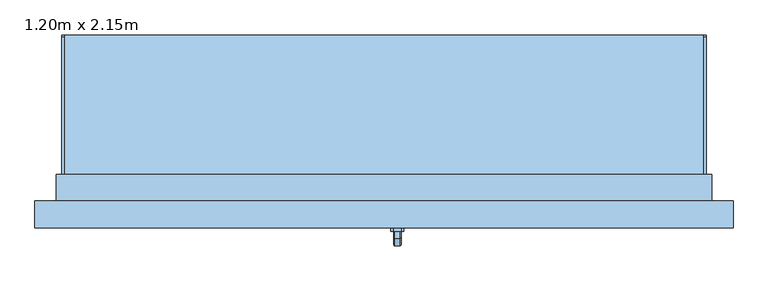
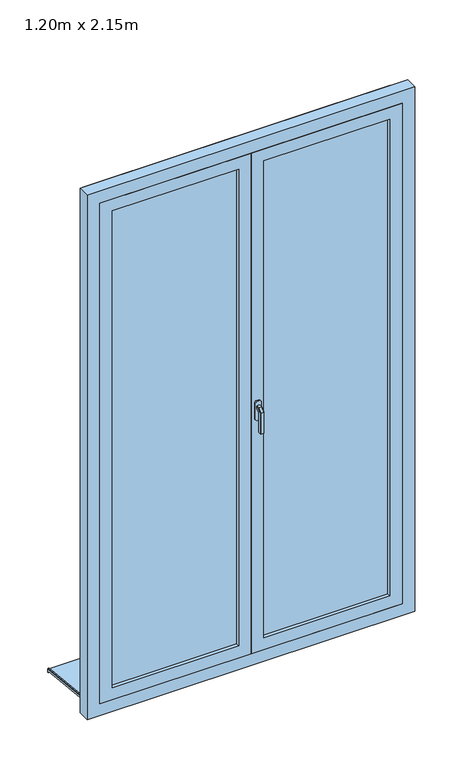
"""IFC4 building model written with IfcOpenShell, lengths in millimetres: window geometry, 1.20m x 2.15m."""

from ifc_helpers import new_model, si_unit, point, frame, frame_2d, origin, place, context, project, spatial, polyline, circle_curve, trimmed, segment, composite_curve, outline, extrude, faceted_brep, source, transform, mapped, element, save


def window_1_20m_x_2_15m_e7e9b8c7(model_context):
    return source(origin(), model_context, "Body", "SolidModel", [
        faceted_brep([(30.6460097, -181.0, 1122.0339292), (32.0339292, -181.0, 1120.6460097), (32.0339292, -181.0, 1109.3323012), (30.6676988, -181.0, 1107.9660708), (19.3323012, -181.0, 1107.9660708), (17.9660708, -181.0, 1109.3323012), (17.9660708, -181.0, 1120.6460097), (19.3539903, -181.0, 1122.0339292), (30.6460097, -193.9135489, 1122.0339292), (32.0339292, -193.3386538, 1120.6460097), (32.0339292, -206.6460097, 1107.3386538), (32.0339292, -206.6460097, 1020.0), (32.0339292, -195.3323012, 1020.0), (32.0339292, -195.3323012, 1102.6523623), (32.0339292, -188.6523623, 1109.3323012), (30.6676988, -188.0864511, 1107.9660708), (19.3323012, -188.0864511, 1107.9660708), (17.9660708, -188.6523623, 1109.3323012), (17.9660708, -195.3323012, 1102.6523623), (17.9660708, -195.3323012, 1020.0), (17.9660708, -206.6460097, 1020.0), (17.9660708, -206.6460097, 1107.3386538), (17.9660708, -193.3386538, 1120.6460097), (19.3539903, -193.9135489, 1122.0339292), (30.6460097, -208.0339292, 1107.9135489), (30.6676988, -193.9660708, 1102.0864511), (19.3323012, -193.9660708, 1102.0864511), (19.3539903, -208.0339292, 1107.9135489), (30.6460097, -208.0339292, 1020.0), (19.3539903, -208.0339292, 1020.0), (19.3323012, -193.9660708, 1020.0), (30.6676988, -193.9660708, 1020.0)], [[[0, 1, 2, 3, 4, 5, 6, 7]], [[1, 0, 8, 9]], [[2, 1, 9, 10, 11, 12, 13, 14]], [[3, 2, 14, 15]], [[4, 3, 15, 16]], [[5, 4, 16, 17]], [[6, 5, 17, 18, 19, 20, 21, 22]], [[7, 6, 22, 23]], [[0, 7, 23, 8]], [[9, 8, 24, 10]], [[15, 14, 13, 25]], [[16, 15, 25, 26]], [[17, 16, 26, 18]], [[23, 22, 21, 27]], [[8, 23, 27, 24]], [[28, 29, 20, 19, 30, 31, 12, 11]], [[10, 24, 28, 11]], [[25, 13, 12, 31]], [[26, 25, 31, 30]], [[18, 26, 30, 19]], [[27, 21, 20, 29]], [[24, 27, 29, 28]]]),
        extrude(outline(polyline([(1140.0, 32.0), (1140.0, 18.0), (1135.0, 13.0), (1065.0, 13.0), (1060.0, 18.0), (1060.0, 32.0), (1065.0, 37.0), (1135.0, 37.0), (1140.0, 32.0)])), frame((0.0, -181.0, 0.0), z_axis=(0.0, 1.0, 0.0), x_axis=(0.0, 0.0, 1.0)), (0.0, 0.0, 1.0), 6.0),
        extrude(outline(polyline([(185.0288776, 10.8229907), (185.0288776, -0.2552118), (180.0288776, 0.2703094), (180.0288776, 6.0933001), (-95.0, 35.0), (-95.0, 50.0), (-90.0, 50.0), (-90.0, 39.7296906), (185.0288776, 10.8229907)])), frame((-600.0, 0.0, 0.0), z_axis=(1.0, 0.0, 0.0), x_axis=(0.0, 1.0, 0.0)), (0.0, 0.0, 1.0), 1200.0),
        extrude(outline(composite_curve([segment(polyline([(185.0288776, 10.8229907), (-90.0, 39.7296906), (-90.0, 44.757232), (181.4469915, 16.2270035)]), True, "CONTINUOUS"), segment(trimmed(circle_curve(frame_2d((181.0288776, 12.2489159)), 4.0), [point((181.4469915, 16.2270035))], [point((185.0288776, 12.2489159))], False, "CARTESIAN"), True, "CONTINUOUS"), segment(polyline([(185.0288776, 12.2489159), (185.0288776, 10.8229907)]), True, "CONTINUOUS")], self_intersect=False)), frame((-600.0, 0.0, 0.0), z_axis=(1.0, 0.0, 0.0), x_axis=(0.0, 1.0, 0.0)), (0.0, 0.0, 1.0), 5.0),
        extrude(outline(composite_curve([segment(polyline([(185.0288776, 10.8229907), (-90.0, 39.7296906), (-90.0, 44.757232), (181.4469915, 16.2270035)]), True, "CONTINUOUS"), segment(trimmed(circle_curve(frame_2d((181.0288776, 12.2489159)), 4.0), [point((181.4469915, 16.2270035))], [point((185.0288776, 12.2489159))], False, "CARTESIAN"), True, "CONTINUOUS"), segment(polyline([(185.0288776, 12.2489159), (185.0288776, 10.8229907)]), True, "CONTINUOUS")], self_intersect=False)), frame((595.0, 0.0, 0.0), z_axis=(1.0, 0.0, 0.0), x_axis=(0.0, 1.0, 0.0)), (0.0, 0.0, 1.0), 5.0),
        extrude(outline(polyline([(85.0, 0.0), (2185.0, 0.0), (2185.0, -600.0), (85.0, -600.0), (85.0, 0.0)]), holes=[polyline([(135.0, -550.0), (2135.0, -550.0), (2135.0, -50.0), (135.0, -50.0), (135.0, -550.0)])]), frame((0.0, -175.0, 0.0), z_axis=(0.0, 1.0, 0.0), x_axis=(0.0, 0.0, 1.0)), (0.0, 0.0, 1.0), 40.0),
        extrude(outline(polyline([(50.0, -149.0), (550.0, -149.0), (550.0, -161.0), (50.0, -161.0), (50.0, -149.0)])), frame((0.0, 0.0, 135.0), z_axis=(0.0, 0.0, 1.0), x_axis=(1.0, 0.0, 0.0)), (0.0, 0.0, 1.0), 2000.0),
        extrude(outline(polyline([(-550.0, -149.0), (-50.0, -149.0), (-50.0, -161.0), (-550.0, -161.0), (-550.0, -149.0)])), frame((0.0, 0.0, 135.0), z_axis=(0.0, 0.0, 1.0), x_axis=(1.0, 0.0, 0.0)), (0.0, 0.0, 1.0), 2000.0),
        extrude(outline(polyline([(85.0, 600.0), (2185.0, 600.0), (2185.0, 0.0), (85.0, 0.0), (85.0, 600.0)]), holes=[polyline([(135.0, 50.0), (2135.0, 50.0), (2135.0, 550.0), (135.0, 550.0), (135.0, 50.0)])]), frame((0.0, -175.0, 0.0), z_axis=(0.0, 1.0, 0.0), x_axis=(0.0, 0.0, 1.0)), (0.0, 0.0, 1.0), 40.0),
        faceted_brep([(-650.0, -175.0, 35.0), (-650.0, -125.0, 35.0), (-600.0, -125.0, 35.0), (-600.0, -95.0, 35.0), (600.0, -95.0, 35.0), (600.0, -125.0, 35.0), (650.0, -125.0, 35.0), (650.0, -175.0, 35.0), (-650.0, -175.0, 2235.0), (-650.0, -125.0, 2235.0), (650.0, -125.0, 2235.0), (600.0, -125.0, 74.3761425), (-600.0, -125.0, 74.3761425), (-585.0, -125.0, 2170.0), (-585.0, -125.0, 100.0), (585.0, -125.0, 100.0), (585.0, -125.0, 2170.0), (-600.0, -75.0, 60.9786829), (-600.0, -75.0, 45.0), (-600.0, -85.0, 45.0), (-600.0, -85.0, 50.0), (-600.0, -95.0, 50.0), (600.0, -95.0, 50.0), (600.0, -85.0, 50.0), (600.0, -85.0, 45.0), (600.0, -75.0, 45.0), (600.0, -75.0, 60.9786829), (650.0, -175.0, 2235.0), (600.0, -175.0, 2185.0), (600.0, -175.0, 85.0), (-600.0, -175.0, 85.0), (-600.0, -175.0, 2185.0), (-585.0, -135.0, 2170.0), (-585.0, -135.0, 100.0), (585.0, -135.0, 100.0), (585.0, -135.0, 2170.0), (600.0, -135.0, 2185.0), (-600.0, -135.0, 2185.0), (-600.0, -135.0, 85.0), (600.0, -135.0, 85.0)], [[[0, 1, 2, 3, 4, 5, 6, 7]], [[1, 0, 8, 9]], [[1, 9, 10, 6, 5, 11, 12, 2], [13, 14, 15, 16]], [[12, 17, 18, 19, 20, 21, 3, 2]], [[3, 21, 22, 4]], [[4, 22, 23, 24, 25, 26, 11, 5]], [[6, 10, 27, 7]], [[0, 7, 27, 8], [28, 29, 30, 31]], [[13, 32, 33, 14]], [[33, 34, 15, 14]], [[35, 16, 15, 34]], [[17, 12, 11, 26]], [[36, 37, 38, 39], [32, 35, 34, 33]], [[38, 37, 31, 30]], [[30, 29, 39, 38]], [[28, 36, 39, 29]], [[18, 17, 26, 25]], [[19, 18, 25, 24]], [[20, 19, 24, 23]], [[21, 20, 23, 22]], [[13, 16, 35, 32]], [[37, 36, 28, 31]], [[10, 9, 8, 27]]]),
        extrude(outline(polyline([(35.0, -610.0), (35.0, -600.0), (2185.0, -600.0), (2185.0, 600.0), (35.0, 600.0), (35.0, 610.0), (2195.0, 610.0), (2195.0, -610.0), (35.0, -610.0)])), frame((0.0, -125.0, 0.0), z_axis=(0.0, 1.0, 0.0), x_axis=(0.0, 0.0, 1.0)), (0.0, 0.0, 1.0), 50.0),
        extrude(outline(polyline([(20.0, -127.0), (20.0, -135.0), (-20.0, -135.0), (-20.0, -127.0), (20.0, -127.0)])), frame((0.0, 0.0, 100.0), z_axis=(0.0, 0.0, 1.0), x_axis=(1.0, 0.0, 0.0)), (0.0, 0.0, 1.0), 2070.0),
    ])


if __name__ == "__main__":
    model = new_model("IFC4")
    model_context = context("Model", 3, world=origin())
    ifc_project = project(units=[si_unit("LENGTHUNIT", "METRE", prefix="MILLI")], contexts=[model_context])
    site = spatial("IfcSite", under=ifc_project)
    building = spatial("IfcBuilding", under=site)
    placement = place(None, origin())
    window_1_20m_x_2_15m_shape = window_1_20m_x_2_15m_e7e9b8c7(model_context)
    element("IfcWindow", 1, ObjectType="1.20m x 2.15m", at=placement, inside=building, context=model_context, shape_type="MappedRepresentation", body=[
        mapped(window_1_20m_x_2_15m_shape, transform((0.0, 0.0, 0.0), x_axis=(1.0, 0.0, 0.0), y_axis=(0.0, 1.0, 0.0), z_axis=(0.0, 0.0, 1.0))),
    ])
    save(model, "model.ifc")
